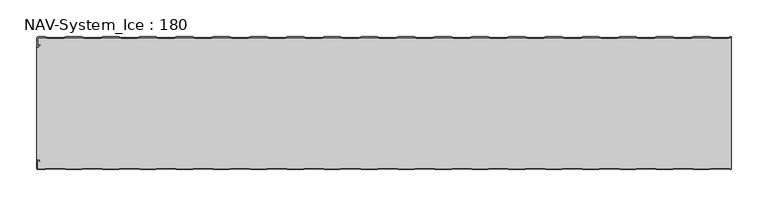
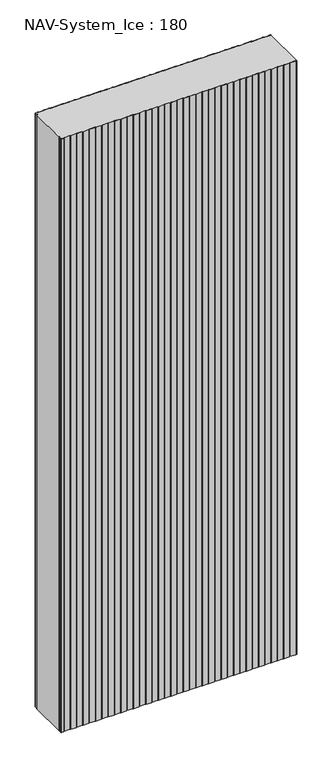
"""IFC4 building model written with IfcOpenShell, lengths in millimetres: plate geometry, NAV-System_Ice : 180."""

from ifc_helpers import new_model, si_unit, point, frame_2d, origin, origin_with_axes, place, context, project, spatial, polyline, circle_curve, trimmed, segment, composite_curve, outline, extrude, source, transform, mapped, element, save


def nav_system_ice_180_6fc00cde(model_context):
    return source(origin(), model_context, "Body", "SweptSolid", [
        extrude(outline(composite_curve([segment(polyline([(469.1298221, -0.8), (466.1298221, -1.8), (443.8701779, -1.8), (440.8701779, -0.8), (419.1298221, -0.8), (416.1298221, -1.8), (393.8701779, -1.8), (390.8701779, -0.8), (369.1298221, -0.8), (366.1298221, -1.8), (343.8701779, -1.8), (340.8701779, -0.8), (319.1298221, -0.8), (316.1298221, -1.8), (293.8701779, -1.8), (290.8701779, -0.8), (269.1298221, -0.8), (266.1298221, -1.8), (243.8701779, -1.8), (240.8701779, -0.8), (219.1298221, -0.8), (216.1298221, -1.8), (193.8701779, -1.8), (190.8701779, -0.8), (169.1298221, -0.8), (166.1298221, -1.8), (143.8701779, -1.8), (140.8701779, -0.8), (119.1298221, -0.8), (116.1298221, -1.8), (93.8701779, -1.8), (90.8701779, -0.8), (69.1298221, -0.8), (66.1298221, -1.8), (43.8701779, -1.8), (40.8701779, -0.8), (19.1298221, -0.8), (16.1298221, -1.8), (-6.1298221, -1.8), (-9.1298221, -0.8), (-30.8701779, -0.8), (-33.8701779, -1.8), (-56.1298221, -1.8), (-59.1298221, -0.8), (-80.8701779, -0.8), (-83.8701779, -1.8), (-106.1298221, -1.8), (-109.1298221, -0.8), (-130.8701779, -0.8), (-133.8701779, -1.8), (-156.1298221, -1.8), (-159.1298221, -0.8), (-180.8701779, -0.8), (-183.8701779, -1.8), (-206.1298221, -1.8), (-209.1298221, -0.8), (-230.8701779, -0.8), (-233.8701779, -1.8), (-256.1298221, -1.8), (-259.1298221, -0.8), (-280.8701779, -0.8), (-283.8701779, -1.8), (-306.1298221, -1.8), (-309.1298221, -0.8), (-330.8701779, -0.8), (-333.8701779, -1.8), (-356.1298221, -1.8), (-359.1298221, -0.8), (-380.8701779, -0.8), (-383.8701779, -1.8), (-406.1298221, -1.8), (-409.1298221, -0.8), (-430.8701779, -0.8), (-433.8701779, -1.8), (-456.1298221, -1.8), (-459.1298221, -0.8), (-468.7, -0.8)]), True, "CONTINUOUS"), segment(trimmed(circle_curve(frame_2d((-468.7, -1.3)), 0.5), [point((-468.7, -0.8))], [point((-469.2, -1.3))], True, "CARTESIAN"), True, "CONTINUOUS"), segment(polyline([(-469.2, -1.3), (-469.2, -12.5857864)]), True, "CONTINUOUS"), segment(trimmed(circle_curve(frame_2d((-468.7, -12.5857864)), 0.5), [point((-469.2, -12.5857864))], [point((-468.3464466, -12.9393398))], True, "CARTESIAN"), True, "CONTINUOUS"), segment(polyline([(-468.3464466, -12.9393398), (-465.9205321, -10.5134253), (-465.3548467, -11.0791108), (-467.7807612, -13.5050253)]), True, "CONTINUOUS"), segment(trimmed(circle_curve(frame_2d((-468.7, -12.5857864)), 1.3), [point((-467.7807612, -13.5050253))], [point((-470.0, -12.5857864))], False, "CARTESIAN"), True, "CONTINUOUS"), segment(polyline([(-470.0, -12.5857864), (-470.0, -1.3)]), True, "CONTINUOUS"), segment(trimmed(circle_curve(frame_2d((-468.7, -1.3)), 1.3), [point((-470.0, -1.3))], [point((-468.7, 0.0))], False, "CARTESIAN"), True, "CONTINUOUS"), segment(polyline([(-468.7, 0.0), (-459.0, 0.0), (-456.0, -1.0), (-434.0, -1.0), (-431.0, 0.0), (-409.0, 0.0), (-406.0, -1.0), (-384.0, -1.0), (-381.0, 0.0), (-359.0, 0.0), (-356.0, -1.0), (-334.0, -1.0), (-331.0, 0.0), (-309.0, 0.0), (-306.0, -1.0), (-284.0, -1.0), (-281.0, 0.0), (-259.0, 0.0), (-256.0, -1.0), (-234.0, -1.0), (-231.0, 0.0), (-209.0, 0.0), (-206.0, -1.0), (-184.0, -1.0), (-181.0, 0.0), (-159.0, 0.0), (-156.0, -1.0), (-134.0, -1.0), (-131.0, 0.0), (-109.0, 0.0), (-106.0, -1.0), (-84.0, -1.0), (-81.0, 0.0), (-59.0, 0.0), (-56.0, -1.0), (-34.0, -1.0), (-31.0, 0.0), (-9.0, 0.0), (-6.0, -1.0), (16.0, -1.0), (19.0, 0.0), (41.0, 0.0), (44.0, -1.0), (66.0, -1.0), (69.0, 0.0), (91.0, 0.0), (94.0, -1.0), (116.0, -1.0), (119.0, 0.0), (141.0, 0.0), (144.0, -1.0), (166.0, -1.0), (169.0, 0.0), (191.0, 0.0), (194.0, -1.0), (216.0, -1.0), (219.0, 0.0), (241.0, 0.0), (244.0, -1.0), (266.0, -1.0), (269.0, 0.0), (291.0, 0.0), (294.0, -1.0), (316.0, -1.0), (319.0, 0.0), (341.0, 0.0), (344.0, -1.0), (366.0, -1.0), (369.0, 0.0), (391.0, 0.0), (394.0, -1.0), (416.0, -1.0), (419.0, 0.0), (441.0, 0.0), (444.0, -1.0), (466.0, -1.0), (469.0, 0.0), (470.0, 0.0), (470.0, -0.8), (469.1298221, -0.8)]), True, "CONTINUOUS")], self_intersect=False)), origin_with_axes(), (0.0, 0.0, 1.0), 2500.0),
        extrude(outline(composite_curve([segment(polyline([(469.1298221, -179.2), (466.1298221, -178.2), (443.8701779, -178.2), (440.8701779, -179.2), (419.1298221, -179.2), (416.1298221, -178.2), (393.8701779, -178.2), (390.8701779, -179.2), (369.1298221, -179.2), (366.1298221, -178.2), (343.8701779, -178.2), (340.8701779, -179.2), (319.1298221, -179.2), (316.1298221, -178.2), (293.8701779, -178.2), (290.8701779, -179.2), (269.1298221, -179.2), (266.1298221, -178.2), (243.8701779, -178.2), (240.8701779, -179.2), (219.1298221, -179.2), (216.1298221, -178.2), (193.8701779, -178.2), (190.8701779, -179.2), (169.1298221, -179.2), (166.1298221, -178.2), (143.8701779, -178.2), (140.8701779, -179.2), (119.1298221, -179.2), (116.1298221, -178.2), (93.8701779, -178.2), (90.8701779, -179.2), (69.1298221, -179.2), (66.1298221, -178.2), (43.8701779, -178.2), (40.8701779, -179.2), (19.1298221, -179.2), (16.1298221, -178.2), (-6.1298221, -178.2), (-9.1298221, -179.2), (-30.8701779, -179.2), (-33.8701779, -178.2), (-56.1298221, -178.2), (-59.1298221, -179.2), (-80.8701779, -179.2), (-83.8701779, -178.2), (-106.1298221, -178.2), (-109.1298221, -179.2), (-130.8701779, -179.2), (-133.8701779, -178.2), (-156.1298221, -178.2), (-159.1298221, -179.2), (-180.8701779, -179.2), (-183.8701779, -178.2), (-206.1298221, -178.2), (-209.1298221, -179.2), (-230.8701779, -179.2), (-233.8701779, -178.2), (-256.1298221, -178.2), (-259.1298221, -179.2), (-280.8701779, -179.2), (-283.8701779, -178.2), (-306.1298221, -178.2), (-309.1298221, -179.2), (-330.8701779, -179.2), (-333.8701779, -178.2), (-356.1298221, -178.2), (-359.1298221, -179.2), (-380.8701779, -179.2), (-383.8701779, -178.2), (-406.1298221, -178.2), (-409.1298221, -179.2), (-430.8701779, -179.2), (-433.8701779, -178.2), (-456.1298221, -178.2), (-459.1298221, -179.2), (-468.7, -179.2)]), True, "CONTINUOUS"), segment(trimmed(circle_curve(frame_2d((-468.7, -178.7)), 0.5), [point((-468.7, -179.2))], [point((-469.2, -178.7))], False, "CARTESIAN"), True, "CONTINUOUS"), segment(polyline([(-469.2, -178.7), (-469.2, -167.4142136)]), True, "CONTINUOUS"), segment(trimmed(circle_curve(frame_2d((-468.7, -167.4142136)), 0.5), [point((-469.2, -167.4142136))], [point((-468.3464466, -167.0606602))], False, "CARTESIAN"), True, "CONTINUOUS"), segment(polyline([(-468.3464466, -167.0606602), (-465.9205321, -169.4865747), (-465.3548467, -168.9208892), (-467.7807612, -166.4949747)]), True, "CONTINUOUS"), segment(trimmed(circle_curve(frame_2d((-468.7, -167.4142136)), 1.3), [point((-467.7807612, -166.4949747))], [point((-468.7, -166.1142136))], True, "CARTESIAN"), True, "CONTINUOUS"), segment(polyline([(-468.7, -166.1142136), (-470.0, -166.1142136), (-470.0, -13.8857864), (-468.7, -13.8857864)]), True, "CONTINUOUS"), segment(trimmed(circle_curve(frame_2d((-468.7, -12.5857864)), 1.3), [point((-468.7, -13.8857864))], [point((-467.7807612, -13.5050253))], True, "CARTESIAN"), True, "CONTINUOUS"), segment(polyline([(-467.7807612, -13.5050253), (-465.3548467, -11.0791108), (-465.9205321, -10.5134253), (-468.3464466, -12.9393398)]), True, "CONTINUOUS"), segment(trimmed(circle_curve(frame_2d((-468.7, -12.5857864)), 0.5), [point((-468.3464466, -12.9393398))], [point((-469.2, -12.5857864))], False, "CARTESIAN"), True, "CONTINUOUS"), segment(polyline([(-469.2, -12.5857864), (-469.2, -1.3)]), True, "CONTINUOUS"), segment(trimmed(circle_curve(frame_2d((-468.7, -1.3)), 0.5), [point((-469.2, -1.3))], [point((-468.7, -0.8))], False, "CARTESIAN"), True, "CONTINUOUS"), segment(polyline([(-468.7, -0.8), (-459.1298221, -0.8), (-456.1298221, -1.8), (-433.8701779, -1.8), (-430.8701779, -0.8), (-409.1298221, -0.8), (-406.1298221, -1.8), (-383.8701779, -1.8), (-380.8701779, -0.8), (-359.1298221, -0.8), (-356.1298221, -1.8), (-333.8701779, -1.8), (-330.8701779, -0.8), (-309.1298221, -0.8), (-306.1298221, -1.8), (-283.8701779, -1.8), (-280.8701779, -0.8), (-259.1298221, -0.8), (-256.1298221, -1.8), (-233.8701779, -1.8), (-230.8701779, -0.8), (-209.1298221, -0.8), (-206.1298221, -1.8), (-183.8701779, -1.8), (-180.8701779, -0.8), (-159.1298221, -0.8), (-156.1298221, -1.8), (-133.8701779, -1.8), (-130.8701779, -0.8), (-109.1298221, -0.8), (-106.1298221, -1.8), (-83.8701779, -1.8), (-80.8701779, -0.8), (-59.1298221, -0.8), (-56.1298221, -1.8), (-33.8701779, -1.8), (-30.8701779, -0.8), (-9.1298221, -0.8), (-6.1298221, -1.8), (16.1298221, -1.8), (19.1298221, -0.8), (40.8701779, -0.8), (43.8701779, -1.8), (66.1298221, -1.8), (69.1298221, -0.8), (90.8701779, -0.8), (93.8701779, -1.8), (116.1298221, -1.8), (119.1298221, -0.8), (140.8701779, -0.8), (143.8701779, -1.8), (166.1298221, -1.8), (169.1298221, -0.8), (190.8701779, -0.8), (193.8701779, -1.8), (216.1298221, -1.8), (219.1298221, -0.8), (240.8701779, -0.8), (243.8701779, -1.8), (266.1298221, -1.8), (269.1298221, -0.8), (290.8701779, -0.8), (293.8701779, -1.8), (316.1298221, -1.8), (319.1298221, -0.8), (340.8701779, -0.8), (343.8701779, -1.8), (366.1298221, -1.8), (369.1298221, -0.8), (390.8701779, -0.8), (393.8701779, -1.8), (416.1298221, -1.8), (419.1298221, -0.8), (440.8701779, -0.8), (443.8701779, -1.8), (466.1298221, -1.8), (469.1298221, -0.8), (470.0, -0.8), (470.0, -179.2), (469.1298221, -179.2)]), True, "CONTINUOUS")], self_intersect=False)), origin_with_axes(), (0.0, 0.0, 1.0), 2500.0),
        extrude(outline(composite_curve([segment(polyline([(469.0, -180.0), (466.0, -179.0), (444.0, -179.0), (441.0, -180.0), (419.0, -180.0), (416.0, -179.0), (394.0, -179.0), (391.0, -180.0), (369.0, -180.0), (366.0, -179.0), (344.0, -179.0), (341.0, -180.0), (319.0, -180.0), (316.0, -179.0), (294.0, -179.0), (291.0, -180.0), (269.0, -180.0), (266.0, -179.0), (244.0, -179.0), (241.0, -180.0), (219.0, -180.0), (216.0, -179.0), (194.0, -179.0), (191.0, -180.0), (169.0, -180.0), (166.0, -179.0), (144.0, -179.0), (141.0, -180.0), (119.0, -180.0), (116.0, -179.0), (94.0, -179.0), (91.0, -180.0), (69.0, -180.0), (66.0, -179.0), (44.0, -179.0), (41.0, -180.0), (19.0, -180.0), (16.0, -179.0), (-6.0, -179.0), (-9.0, -180.0), (-31.0, -180.0), (-34.0, -179.0), (-56.0, -179.0), (-59.0, -180.0), (-81.0, -180.0), (-84.0, -179.0), (-106.0, -179.0), (-109.0, -180.0), (-131.0, -180.0), (-134.0, -179.0), (-156.0, -179.0), (-159.0, -180.0), (-181.0, -180.0), (-184.0, -179.0), (-206.0, -179.0), (-209.0, -180.0), (-231.0, -180.0), (-234.0, -179.0), (-256.0, -179.0), (-259.0, -180.0), (-281.0, -180.0), (-284.0, -179.0), (-306.0, -179.0), (-309.0, -180.0), (-331.0, -180.0), (-334.0, -179.0), (-356.0, -179.0), (-359.0, -180.0), (-381.0, -180.0), (-384.0, -179.0), (-406.0, -179.0), (-409.0, -180.0), (-431.0, -180.0), (-434.0, -179.0), (-456.0, -179.0), (-459.0, -180.0), (-468.7, -180.0)]), True, "CONTINUOUS"), segment(trimmed(circle_curve(frame_2d((-468.7, -178.7)), 1.3), [point((-468.7, -180.0))], [point((-470.0, -178.7))], False, "CARTESIAN"), True, "CONTINUOUS"), segment(polyline([(-470.0, -178.7), (-470.0, -167.4142136)]), True, "CONTINUOUS"), segment(trimmed(circle_curve(frame_2d((-468.7, -167.4142136)), 1.3), [point((-470.0, -167.4142136))], [point((-467.7807612, -166.4949747))], False, "CARTESIAN"), True, "CONTINUOUS"), segment(polyline([(-467.7807612, -166.4949747), (-465.3548467, -168.9208892), (-465.9205321, -169.4865747), (-468.3464466, -167.0606602)]), True, "CONTINUOUS"), segment(trimmed(circle_curve(frame_2d((-468.7, -167.4142136)), 0.5), [point((-468.3464466, -167.0606602))], [point((-469.2, -167.4142136))], True, "CARTESIAN"), True, "CONTINUOUS"), segment(polyline([(-469.2, -167.4142136), (-469.2, -178.7)]), True, "CONTINUOUS"), segment(trimmed(circle_curve(frame_2d((-468.7, -178.7)), 0.5), [point((-469.2, -178.7))], [point((-468.7, -179.2))], True, "CARTESIAN"), True, "CONTINUOUS"), segment(polyline([(-468.7, -179.2), (-459.1298221, -179.2), (-456.1298221, -178.2), (-433.8701779, -178.2), (-430.8701779, -179.2), (-409.1298221, -179.2), (-406.1298221, -178.2), (-383.8701779, -178.2), (-380.8701779, -179.2), (-359.1298221, -179.2), (-356.1298221, -178.2), (-333.8701779, -178.2), (-330.8701779, -179.2), (-309.1298221, -179.2), (-306.1298221, -178.2), (-283.8701779, -178.2), (-280.8701779, -179.2), (-259.1298221, -179.2), (-256.1298221, -178.2), (-233.8701779, -178.2), (-230.8701779, -179.2), (-209.1298221, -179.2), (-206.1298221, -178.2), (-183.8701779, -178.2), (-180.8701779, -179.2), (-159.1298221, -179.2), (-156.1298221, -178.2), (-133.8701779, -178.2), (-130.8701779, -179.2), (-109.1298221, -179.2), (-106.1298221, -178.2), (-83.8701779, -178.2), (-80.8701779, -179.2), (-59.1298221, -179.2), (-56.1298221, -178.2), (-33.8701779, -178.2), (-30.8701779, -179.2), (-9.1298221, -179.2), (-6.1298221, -178.2), (16.1298221, -178.2), (19.1298221, -179.2), (40.8701779, -179.2), (43.8701779, -178.2), (66.1298221, -178.2), (69.1298221, -179.2), (90.8701779, -179.2), (93.8701779, -178.2), (116.1298221, -178.2), (119.1298221, -179.2), (140.8701779, -179.2), (143.8701779, -178.2), (166.1298221, -178.2), (169.1298221, -179.2), (190.8701779, -179.2), (193.8701779, -178.2), (216.1298221, -178.2), (219.1298221, -179.2), (240.8701779, -179.2), (243.8701779, -178.2), (266.1298221, -178.2), (269.1298221, -179.2), (290.8701779, -179.2), (293.8701779, -178.2), (316.1298221, -178.2), (319.1298221, -179.2), (340.8701779, -179.2), (343.8701779, -178.2), (366.1298221, -178.2), (369.1298221, -179.2), (390.8701779, -179.2), (393.8701779, -178.2), (416.1298221, -178.2), (419.1298221, -179.2), (440.8701779, -179.2), (443.8701779, -178.2), (466.1298221, -178.2), (469.1298221, -179.2), (470.0, -179.2), (470.0, -180.0), (469.0, -180.0)]), True, "CONTINUOUS")], self_intersect=False)), origin_with_axes(), (0.0, 0.0, 1.0), 2500.0),
    ])


if __name__ == "__main__":
    model = new_model("IFC4")
    model_context = context("Model", 3, world=origin())
    ifc_project = project(units=[si_unit("LENGTHUNIT", "METRE", prefix="MILLI")], contexts=[model_context])
    site = spatial("IfcSite", under=ifc_project)
    building = spatial("IfcBuilding", under=site)
    placement = place(None, origin())
    nav_system_ice_180_shape = nav_system_ice_180_6fc00cde(model_context)
    element("IfcPlate", 1, ObjectType="NAV-System_Ice : 180", at=placement, inside=building, context=model_context, shape_type="MappedRepresentation", body=[
        mapped(nav_system_ice_180_shape, transform((0.0, 0.0, 0.0), x_axis=(1.0, 0.0, 0.0), y_axis=(0.0, 1.0, 0.0), z_axis=(0.0, 0.0, 1.0))),
    ])
    save(model, "model.ifc")
